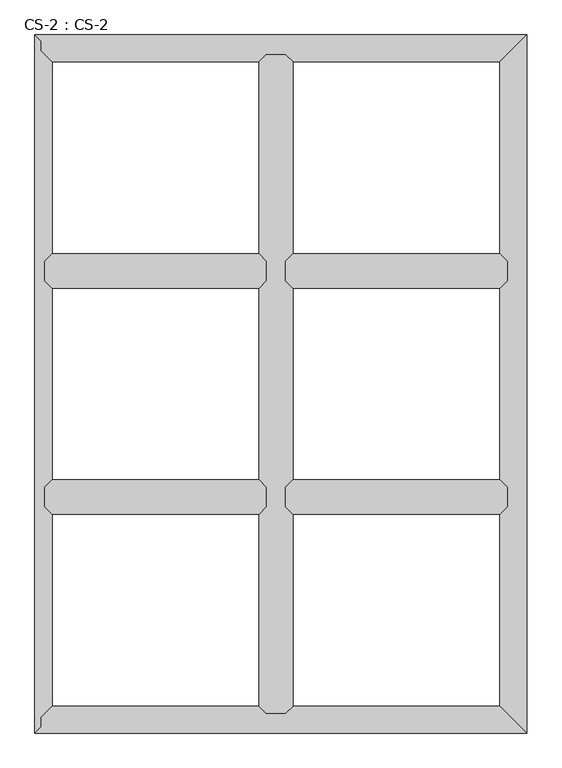
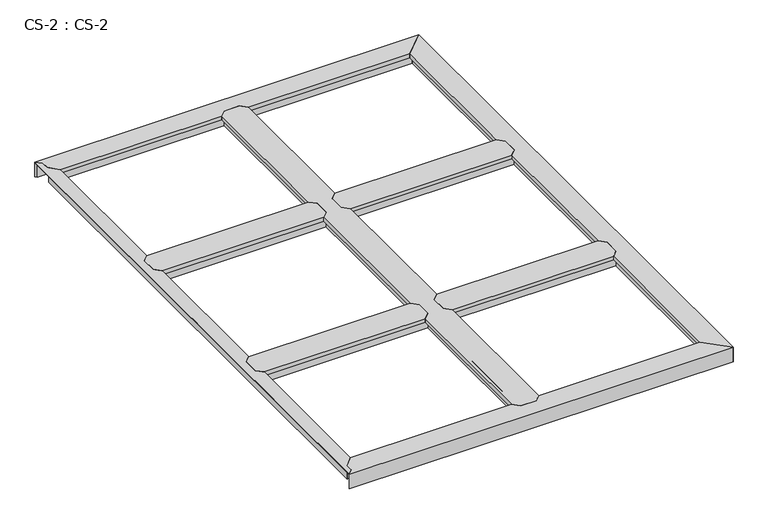
"""IFC4 building model written with IfcOpenShell, lengths in millimetres: proxy geometry, CS-2 : CS-2."""

from ifc_helpers import new_model, si_unit, origin, place, context, project, spatial, faceted_brep, source, transform, mapped, element, save


def cs_2_cs_2_586a0aad(model_context):
    return source(origin(), model_context, "Body", "Brep", [
        faceted_brep([(1592.58, 1524.0, 46.355), (1592.58, 1524.0, 0.0), (1592.58, 1530.985, 0.0), (1592.58, 1530.985, 63.5), (1592.58, 1583.055, 63.5), (1592.58, 1583.055, 0.0), (1592.58, 1590.04, 0.0), (1592.58, 1590.04, 46.355), (1592.58, 1590.04, 66.675), (1592.58, 1524.0, 66.675), (845.82, 1590.04, 46.355), (845.82, 1590.04, 0.0), (845.82, 1583.055, 0.0), (845.82, 1583.055, 63.5), (845.82, 1530.985, 63.5), (845.82, 1530.985, 0.0), (845.82, 1524.0, 0.0), (845.82, 1524.0, 46.355), (845.82, 1524.0, 66.675), (845.82, 1590.04, 66.675), (870.458, 1614.678, 66.675), (1567.942, 1614.678, 66.675), (1567.942, 1614.678, 49.8094), (870.458, 1614.678, 49.8094), (1569.466, 1613.154, 49.8094), (868.934, 1613.154, 49.8094), (1569.466, 1613.154, 64.643), (868.934, 1613.154, 64.643), (1579.753, 1602.867, 64.643), (858.647, 1602.867, 64.643), (1579.753, 1602.867, 46.355), (858.647, 1602.867, 46.355), (1579.753, 1511.173, 46.355), (858.647, 1511.173, 46.355), (1579.753, 1511.173, 64.643), (858.647, 1511.173, 64.643), (1569.466, 1500.886, 64.643), (868.934, 1500.886, 64.643), (1569.466, 1500.886, 49.8094), (868.934, 1500.886, 49.8094), (1567.942, 1499.362, 49.8094), (870.458, 1499.362, 49.8094), (1567.942, 1499.362, 66.675), (870.458, 1499.362, 66.675)], [[[0, 1, 2, 3, 4, 5, 6, 7, 8, 9]], [[10, 11, 12, 13, 14, 15, 16, 17, 18, 19]], [[20, 21, 22, 23]], [[23, 22, 24, 25]], [[25, 24, 26, 27]], [[27, 26, 28, 29]], [[29, 28, 30, 31]], [[7, 10, 31, 30]], [[7, 6, 11, 10]], [[6, 5, 12, 11]], [[5, 4, 13, 12]], [[4, 3, 14, 13]], [[3, 2, 15, 14]], [[2, 1, 16, 15]], [[1, 0, 17, 16]], [[17, 0, 32, 33]], [[33, 32, 34, 35]], [[35, 34, 36, 37]], [[37, 36, 38, 39]], [[39, 38, 40, 41]], [[41, 40, 42, 43]], [[9, 8, 21, 20, 19, 18, 43, 42]], [[10, 19, 20, 23, 25, 27, 29, 31]], [[18, 17, 33, 35, 37, 39, 41, 43]], [[0, 9, 42, 40, 38, 36, 34, 32]], [[8, 7, 30, 28, 26, 24, 22, 21]]]),
        faceted_brep([(1592.58, 762.0, 46.355), (1592.58, 762.0, 0.0), (1592.58, 768.985, 0.0), (1592.58, 768.985, 63.5), (1592.58, 821.055, 63.5), (1592.58, 821.055, 0.0), (1592.58, 828.04, 0.0), (1592.58, 828.04, 46.355), (1592.58, 828.04, 66.675), (1592.58, 762.0, 66.675), (845.82, 828.04, 46.355), (845.82, 828.04, 0.0), (845.82, 821.055, 0.0), (845.82, 821.055, 63.5), (845.82, 768.985, 63.5), (845.82, 768.985, 0.0), (845.82, 762.0, 0.0), (845.82, 762.0, 46.355), (845.82, 762.0, 66.675), (845.82, 828.04, 66.675), (870.458, 852.678, 66.675), (1567.942, 852.678, 66.675), (1567.942, 852.678, 49.8094), (870.458, 852.678, 49.8094), (1569.466, 851.154, 49.8094), (868.934, 851.154, 49.8094), (1569.466, 851.154, 64.643), (868.934, 851.154, 64.643), (1579.753, 840.867, 64.643), (858.647, 840.867, 64.643), (1579.753, 840.867, 46.355), (858.647, 840.867, 46.355), (1579.753, 749.173, 46.355), (858.647, 749.173, 46.355), (1579.753, 749.173, 64.643), (858.647, 749.173, 64.643), (1569.466, 738.886, 64.643), (868.934, 738.886, 64.643), (1569.466, 738.886, 49.8094), (868.934, 738.886, 49.8094), (1567.942, 737.362, 49.8094), (870.458, 737.362, 49.8094), (1567.942, 737.362, 66.675), (870.458, 737.362, 66.675)], [[[0, 1, 2, 3, 4, 5, 6, 7, 8, 9]], [[10, 11, 12, 13, 14, 15, 16, 17, 18, 19]], [[20, 21, 22, 23]], [[23, 22, 24, 25]], [[25, 24, 26, 27]], [[27, 26, 28, 29]], [[29, 28, 30, 31]], [[7, 10, 31, 30]], [[7, 6, 11, 10]], [[6, 5, 12, 11]], [[5, 4, 13, 12]], [[4, 3, 14, 13]], [[3, 2, 15, 14]], [[2, 1, 16, 15]], [[1, 0, 17, 16]], [[17, 0, 32, 33]], [[33, 32, 34, 35]], [[35, 34, 36, 37]], [[37, 36, 38, 39]], [[39, 38, 40, 41]], [[41, 40, 42, 43]], [[9, 8, 21, 20, 19, 18, 43, 42]], [[10, 19, 20, 23, 25, 27, 29, 31]], [[18, 17, 33, 35, 37, 39, 41, 43]], [[0, 9, 42, 40, 38, 36, 34, 32]], [[8, 7, 30, 28, 26, 24, 22, 21]]]),
        faceted_brep([(779.78, 762.0, 46.355), (779.78, 762.0, 0.0), (779.78, 768.985, 0.0), (779.78, 768.985, 63.5), (779.78, 821.055, 63.5), (779.78, 821.055, 0.0), (779.78, 828.04, 0.0), (779.78, 828.04, 46.355), (779.78, 828.04, 66.675), (779.78, 762.0, 66.675), (33.02, 828.04, 46.355), (33.02, 828.04, 0.0), (33.02, 821.055, 0.0), (33.02, 821.055, 63.5), (33.02, 768.985, 63.5), (33.02, 768.985, 0.0), (33.02, 762.0, 0.0), (33.02, 762.0, 46.355), (33.02, 762.0, 66.675), (33.02, 828.04, 66.675), (57.658, 852.678, 66.675), (755.142, 852.678, 66.675), (755.142, 852.678, 49.8094), (57.658, 852.678, 49.8094), (756.666, 851.154, 49.8094), (56.134, 851.154, 49.8094), (756.666, 851.154, 64.643), (56.134, 851.154, 64.643), (766.953, 840.867, 64.643), (45.847, 840.867, 64.643), (766.953, 840.867, 46.355), (45.847, 840.867, 46.355), (766.953, 749.173, 46.355), (45.847, 749.173, 46.355), (766.953, 749.173, 64.643), (45.847, 749.173, 64.643), (756.666, 738.886, 64.643), (56.134, 738.886, 64.643), (756.666, 738.886, 49.8094), (56.134, 738.886, 49.8094), (755.142, 737.362, 49.8094), (57.658, 737.362, 49.8094), (755.142, 737.362, 66.675), (57.658, 737.362, 66.675)], [[[0, 1, 2, 3, 4, 5, 6, 7, 8, 9]], [[10, 11, 12, 13, 14, 15, 16, 17, 18, 19]], [[20, 21, 22, 23]], [[23, 22, 24, 25]], [[25, 24, 26, 27]], [[27, 26, 28, 29]], [[29, 28, 30, 31]], [[7, 10, 31, 30]], [[7, 6, 11, 10]], [[6, 5, 12, 11]], [[5, 4, 13, 12]], [[4, 3, 14, 13]], [[3, 2, 15, 14]], [[2, 1, 16, 15]], [[1, 0, 17, 16]], [[17, 0, 32, 33]], [[33, 32, 34, 35]], [[35, 34, 36, 37]], [[37, 36, 38, 39]], [[39, 38, 40, 41]], [[41, 40, 42, 43]], [[9, 8, 21, 20, 19, 18, 43, 42]], [[10, 19, 20, 23, 25, 27, 29, 31]], [[18, 17, 33, 35, 37, 39, 41, 43]], [[0, 9, 42, 40, 38, 36, 34, 32]], [[8, 7, 30, 28, 26, 24, 22, 21]]]),
        faceted_brep([(779.78, 1524.0, 46.355), (779.78, 1524.0, 0.0), (779.78, 1530.985, 0.0), (779.78, 1530.985, 63.5), (779.78, 1583.055, 63.5), (779.78, 1583.055, 0.0), (779.78, 1590.04, 0.0), (779.78, 1590.04, 46.355), (779.78, 1590.04, 66.675), (779.78, 1524.0, 66.675), (33.02, 1590.04, 46.355), (33.02, 1590.04, 0.0), (33.02, 1583.055, 0.0), (33.02, 1583.055, 63.5), (33.02, 1530.985, 63.5), (33.02, 1530.985, 0.0), (33.02, 1524.0, 0.0), (33.02, 1524.0, 46.355), (33.02, 1524.0, 66.675), (33.02, 1590.04, 66.675), (57.658, 1614.678, 66.675), (755.142, 1614.678, 66.675), (755.142, 1614.678, 49.8094), (57.658, 1614.678, 49.8094), (756.666, 1613.154, 49.8094), (56.134, 1613.154, 49.8094), (756.666, 1613.154, 64.643), (56.134, 1613.154, 64.643), (766.953, 1602.867, 64.643), (45.847, 1602.867, 64.643), (766.953, 1602.867, 46.355), (45.847, 1602.867, 46.355), (766.953, 1511.173, 46.355), (45.847, 1511.173, 46.355), (766.953, 1511.173, 64.643), (45.847, 1511.173, 64.643), (756.666, 1500.886, 64.643), (56.134, 1500.886, 64.643), (756.666, 1500.886, 49.8094), (56.134, 1500.886, 49.8094), (755.142, 1499.362, 49.8094), (57.658, 1499.362, 49.8094), (755.142, 1499.362, 66.675), (57.658, 1499.362, 66.675)], [[[0, 1, 2, 3, 4, 5, 6, 7, 8, 9]], [[10, 11, 12, 13, 14, 15, 16, 17, 18, 19]], [[20, 21, 22, 23]], [[23, 22, 24, 25]], [[25, 24, 26, 27]], [[27, 26, 28, 29]], [[29, 28, 30, 31]], [[7, 10, 31, 30]], [[7, 6, 11, 10]], [[6, 5, 12, 11]], [[5, 4, 13, 12]], [[4, 3, 14, 13]], [[3, 2, 15, 14]], [[2, 1, 16, 15]], [[1, 0, 17, 16]], [[17, 0, 32, 33]], [[33, 32, 34, 35]], [[35, 34, 36, 37]], [[37, 36, 38, 39]], [[39, 38, 40, 41]], [[41, 40, 42, 43]], [[9, 8, 21, 20, 19, 18, 43, 42]], [[10, 19, 20, 23, 25, 27, 29, 31]], [[18, 17, 33, 35, 37, 39, 41, 43]], [[0, 9, 42, 40, 38, 36, 34, 32]], [[8, 7, 30, 28, 26, 24, 22, 21]]]),
        faceted_brep([(845.82, 2286.0, 46.355), (845.82, 2286.0, 0.0), (838.835, 2286.0, 0.0), (838.835, 2286.0, 63.5), (786.765, 2286.0, 63.5), (786.765, 2286.0, 0.0), (779.78, 2286.0, 0.0), (779.78, 2286.0, 46.355), (779.78, 2286.0, 66.675), (845.82, 2286.0, 66.675), (779.78, 66.04, 46.355), (779.78, 66.04, 0.0), (786.765, 66.04, 0.0), (786.765, 66.04, 63.5), (838.835, 66.04, 63.5), (838.835, 66.04, 0.0), (845.82, 66.04, 0.0), (845.82, 66.04, 46.355), (845.82, 66.04, 66.675), (779.78, 66.04, 66.675), (755.142, 90.678, 49.8094), (755.142, 90.678, 66.675), (755.142, 737.362, 66.675), (755.142, 737.362, 49.8094), (755.142, 2261.362, 66.675), (755.142, 2261.362, 49.8094), (755.142, 1614.678, 49.8094), (755.142, 1614.678, 66.675), (755.142, 852.678, 49.8094), (755.142, 852.678, 66.675), (755.142, 1499.362, 66.675), (755.142, 1499.362, 49.8094), (756.666, 89.154, 49.8094), (756.666, 738.886, 49.8094), (756.666, 2262.886, 49.8094), (756.666, 1613.154, 49.8094), (756.666, 851.154, 49.8094), (756.666, 1500.886, 49.8094), (756.666, 89.154, 64.643), (756.666, 738.886, 64.643), (756.666, 2262.886, 64.643), (756.666, 1613.154, 64.643), (756.666, 851.154, 64.643), (756.666, 1500.886, 64.643), (766.953, 78.867, 64.643), (766.953, 749.173, 64.643), (766.953, 2273.173, 64.643), (766.953, 1602.867, 64.643), (766.953, 840.867, 64.643), (766.953, 1511.173, 64.643), (766.953, 78.867, 46.355), (766.953, 749.173, 46.355), (766.953, 2273.173, 46.355), (766.953, 1602.867, 46.355), (766.953, 840.867, 46.355), (766.953, 1511.173, 46.355), (779.78, 762.0, 46.355), (779.78, 1590.04, 46.355), (779.78, 828.04, 46.355), (779.78, 1524.0, 46.355), (779.78, 762.0, 66.675), (779.78, 828.04, 66.675), (779.78, 1524.0, 66.675), (779.78, 1590.04, 66.675), (845.82, 1590.04, 46.355), (845.82, 1590.04, 66.675), (845.82, 1524.0, 66.675), (845.82, 1524.0, 46.355), (845.82, 828.04, 46.355), (845.82, 828.04, 66.675), (845.82, 762.0, 66.675), (845.82, 762.0, 46.355), (858.647, 78.867, 46.355), (858.647, 749.173, 46.355), (858.647, 2273.173, 46.355), (858.647, 1602.867, 46.355), (858.647, 840.867, 46.355), (858.647, 1511.173, 46.355), (858.647, 78.867, 64.643), (858.647, 749.173, 64.643), (858.647, 2273.173, 64.643), (858.647, 1602.867, 64.643), (858.647, 840.867, 64.643), (858.647, 1511.173, 64.643), (868.934, 89.154, 64.643), (868.934, 738.886, 64.643), (868.934, 2262.886, 64.643), (868.934, 1613.154, 64.643), (868.934, 851.154, 64.643), (868.934, 1500.886, 64.643), (868.934, 89.154, 49.8094), (868.934, 738.886, 49.8094), (868.934, 2262.886, 49.8094), (868.934, 1613.154, 49.8094), (868.934, 851.154, 49.8094), (868.934, 1500.886, 49.8094), (870.458, 90.678, 49.8094), (870.458, 737.362, 49.8094), (870.458, 2261.362, 49.8094), (870.458, 1614.678, 49.8094), (870.458, 852.678, 49.8094), (870.458, 1499.362, 49.8094), (870.458, 90.678, 66.675), (870.458, 737.362, 66.675), (870.458, 2261.362, 66.675), (870.458, 1614.678, 66.675), (870.458, 852.678, 66.675), (870.458, 1499.362, 66.675)], [[[0, 1, 2, 3, 4, 5, 6, 7, 8, 9]], [[10, 11, 12, 13, 14, 15, 16, 17, 18, 19]], [[20, 21, 22, 23]], [[24, 25, 26, 27]], [[28, 29, 30, 31]], [[32, 20, 23, 33]], [[25, 34, 35, 26]], [[36, 28, 31, 37]], [[38, 32, 33, 39]], [[34, 40, 41, 35]], [[42, 36, 37, 43]], [[44, 38, 39, 45]], [[40, 46, 47, 41]], [[48, 42, 43, 49]], [[50, 44, 45, 51]], [[46, 52, 53, 47]], [[54, 48, 49, 55]], [[10, 50, 51, 56]], [[52, 7, 57, 53]], [[58, 54, 55, 59]], [[7, 6, 11, 10, 56, 60, 61, 58, 59, 62, 63, 57]], [[6, 5, 12, 11]], [[5, 4, 13, 12]], [[4, 3, 14, 13]], [[3, 2, 15, 14]], [[2, 1, 16, 15]], [[1, 0, 64, 65, 66, 67, 68, 69, 70, 71, 17, 16]], [[72, 17, 71, 73]], [[0, 74, 75, 64]], [[76, 68, 67, 77]], [[78, 72, 73, 79]], [[74, 80, 81, 75]], [[82, 76, 77, 83]], [[84, 78, 79, 85]], [[80, 86, 87, 81]], [[88, 82, 83, 89]], [[90, 84, 85, 91]], [[86, 92, 93, 87]], [[94, 88, 89, 95]], [[96, 90, 91, 97]], [[92, 98, 99, 93]], [[100, 94, 95, 101]], [[102, 96, 97, 103]], [[98, 104, 105, 99]], [[106, 100, 101, 107]], [[9, 8, 24, 27, 63, 62, 30, 29, 61, 60, 22, 21, 19, 18, 102, 103, 70, 69, 106, 107, 66, 65, 105, 104]], [[10, 19, 21, 20, 32, 38, 44, 50]], [[18, 17, 72, 78, 84, 90, 96, 102]], [[0, 9, 104, 98, 92, 86, 80, 74]], [[8, 7, 52, 46, 40, 34, 25, 24]], [[60, 56, 51, 45, 39, 33, 23, 22]], [[58, 61, 29, 28, 36, 42, 48, 54]], [[62, 59, 55, 49, 43, 37, 31, 30]], [[57, 63, 27, 26, 35, 41, 47, 53]], [[69, 68, 76, 82, 88, 94, 100, 106]], [[71, 70, 103, 97, 91, 85, 79, 73]], [[65, 64, 75, 81, 87, 93, 99, 105]], [[67, 66, 107, 101, 95, 89, 83, 77]]]),
        faceted_brep([(1658.62, 0.0, 0.0), (0.0, 0.0, 0.0), (6.985, 6.985, 0.0), (1651.635, 6.985, 0.0), (1651.635, 6.985, 63.5), (6.985, 6.985, 63.5), (1599.565, 59.055, 63.5), (21.59, 21.59, 63.5), (21.59, 53.34, 63.5), (27.1106122, 59.055, 63.5), (1599.565, 59.055, 0.0), (27.1106122, 59.055, 0.0), (33.8580272, 66.04, 0.0), (1592.58, 66.04, 0.0), (1592.58, 66.04, 46.355), (33.8580272, 66.04, 46.355), (779.78, 66.04, 46.355), (779.78, 66.04, 66.675), (845.82, 66.04, 66.675), (845.82, 66.04, 46.355), (1579.753, 78.867, 46.355), (858.647, 78.867, 46.355), (46.2487347, 78.867, 46.355), (766.953, 78.867, 46.355), (1579.753, 78.867, 63.5), (858.647, 78.867, 63.5), (46.2487347, 78.867, 63.5), (766.953, 78.867, 63.5), (1569.466, 89.154, 63.5), (868.934, 89.154, 63.5), (56.1858367, 89.154, 63.5), (756.666, 89.154, 63.5), (1569.466, 89.154, 49.8094), (868.934, 89.154, 49.8094), (56.1858367, 89.154, 49.8094), (756.666, 89.154, 49.8094), (1567.942, 90.678, 49.8094), (870.458, 90.678, 49.8094), (57.658, 90.678, 49.8094), (755.142, 90.678, 49.8094), (1567.942, 90.678, 66.675), (870.458, 90.678, 66.675), (57.658, 90.678, 66.675), (755.142, 90.678, 66.675), (0.0, 0.0, 66.675), (1658.62, 0.0, 66.675), (21.59, 53.34, 66.675), (21.59, 21.59, 66.675)], [[[0, 1, 2, 3]], [[4, 3, 2, 5]], [[6, 4, 5, 7, 8, 9]], [[10, 6, 9, 11]], [[12, 13, 10, 11]], [[14, 13, 12, 15, 16, 17, 18, 19]], [[20, 14, 19, 21]], [[15, 22, 23, 16]], [[24, 20, 21, 25]], [[22, 26, 27, 23]], [[28, 24, 25, 29]], [[26, 30, 31, 27]], [[32, 28, 29, 33]], [[30, 34, 35, 31]], [[36, 32, 33, 37]], [[34, 38, 39, 35]], [[40, 36, 37, 41]], [[38, 42, 43, 39]], [[44, 45, 40, 41, 18, 17, 43, 42, 46, 47]], [[1, 0, 45, 44]], [[0, 3, 4, 6, 10, 13, 14, 20, 24, 28, 32, 36, 40, 45]], [[7, 47, 46, 8]], [[8, 46, 42, 38, 34, 30, 26, 22, 15, 12, 11, 9]], [[47, 7, 5, 2, 1, 44]], [[17, 16, 23, 27, 31, 35, 39, 43]], [[19, 18, 41, 37, 33, 29, 25, 21]]]),
        faceted_brep([(1658.62, 2352.04, 0.0), (1658.62, 0.0, 0.0), (1651.635, 6.985, 0.0), (1651.635, 2345.055, 0.0), (1651.635, 2345.055, 63.5), (1651.635, 6.985, 63.5), (1599.565, 2292.985, 63.5), (1599.565, 59.055, 63.5), (1599.565, 2292.985, 0.0), (1599.565, 59.055, 0.0), (1592.58, 66.04, 0.0), (1592.58, 2286.0, 0.0), (1592.58, 2286.0, 46.355), (1592.58, 66.04, 46.355), (1592.58, 762.0, 46.355), (1592.58, 762.0, 66.675), (1592.58, 828.04, 66.675), (1592.58, 828.04, 46.355), (1592.58, 1524.0, 46.355), (1592.58, 1524.0, 66.675), (1592.58, 1590.04, 66.675), (1592.58, 1590.04, 46.355), (1579.753, 2273.173, 46.355), (1579.753, 1602.867, 46.355), (1579.753, 78.867, 46.355), (1579.753, 749.173, 46.355), (1579.753, 1511.173, 46.355), (1579.753, 840.867, 46.355), (1579.753, 2273.173, 63.5), (1579.753, 1602.867, 63.5), (1579.753, 78.867, 63.5), (1579.753, 749.173, 63.5), (1579.753, 1511.173, 63.5), (1579.753, 840.867, 63.5), (1569.466, 2262.886, 63.5), (1569.466, 1613.154, 63.5), (1569.466, 89.154, 63.5), (1569.466, 738.886, 63.5), (1569.466, 1500.886, 63.5), (1569.466, 851.154, 63.5), (1569.466, 2262.886, 49.8094), (1569.466, 1613.154, 49.8094), (1569.466, 89.154, 49.8094), (1569.466, 738.886, 49.8094), (1569.466, 1500.886, 49.8094), (1569.466, 851.154, 49.8094), (1567.942, 2261.362, 49.8094), (1567.942, 1614.678, 49.8094), (1567.942, 90.678, 49.8094), (1567.942, 737.362, 49.8094), (1567.942, 1499.362, 49.8094), (1567.942, 852.678, 49.8094), (1567.942, 2261.362, 66.675), (1567.942, 1614.678, 66.675), (1567.942, 90.678, 66.675), (1567.942, 737.362, 66.675), (1567.942, 1499.362, 66.675), (1567.942, 852.678, 66.675), (1658.62, 0.0, 66.675), (1658.62, 2352.04, 66.675)], [[[0, 1, 2, 3]], [[4, 3, 2, 5]], [[6, 4, 5, 7]], [[8, 6, 7, 9]], [[10, 11, 8, 9]], [[12, 11, 10, 13, 14, 15, 16, 17, 18, 19, 20, 21]], [[22, 12, 21, 23]], [[13, 24, 25, 14]], [[26, 18, 17, 27]], [[28, 22, 23, 29]], [[24, 30, 31, 25]], [[32, 26, 27, 33]], [[34, 28, 29, 35]], [[30, 36, 37, 31]], [[38, 32, 33, 39]], [[40, 34, 35, 41]], [[36, 42, 43, 37]], [[44, 38, 39, 45]], [[46, 40, 41, 47]], [[42, 48, 49, 43]], [[50, 44, 45, 51]], [[52, 46, 47, 53]], [[48, 54, 55, 49]], [[56, 50, 51, 57]], [[58, 59, 52, 53, 20, 19, 56, 57, 16, 15, 55, 54]], [[1, 0, 59, 58]], [[0, 3, 4, 6, 8, 11, 12, 22, 28, 34, 40, 46, 52, 59]], [[2, 1, 58, 54, 48, 42, 36, 30, 24, 13, 10, 9, 7, 5]], [[19, 18, 26, 32, 38, 44, 50, 56]], [[21, 20, 53, 47, 41, 35, 29, 23]], [[15, 14, 25, 31, 37, 43, 49, 55]], [[17, 16, 57, 51, 45, 39, 33, 27]]]),
        faceted_brep([(0.0, 2352.04, 0.0), (1658.62, 2352.04, 0.0), (1651.635, 2345.055, 0.0), (6.985, 2345.055, 0.0), (6.985, 2345.055, 63.5), (1651.635, 2345.055, 63.5), (21.59, 2330.45, 63.5), (1599.565, 2292.985, 63.5), (27.1106122, 2292.985, 63.5), (21.59, 2298.7, 63.5), (27.1106122, 2292.985, 0.0), (1599.565, 2292.985, 0.0), (1592.58, 2286.0, 0.0), (33.8580272, 2286.0, 0.0), (33.8580272, 2286.0, 46.355), (1592.58, 2286.0, 46.355), (845.82, 2286.0, 46.355), (845.82, 2286.0, 66.675), (779.78, 2286.0, 66.675), (779.78, 2286.0, 46.355), (46.2487347, 2273.173, 46.355), (766.953, 2273.173, 46.355), (1579.753, 2273.173, 46.355), (858.647, 2273.173, 46.355), (46.2487347, 2273.173, 63.5), (766.953, 2273.173, 63.5), (1579.753, 2273.173, 63.5), (858.647, 2273.173, 63.5), (56.1858367, 2262.886, 63.5), (756.666, 2262.886, 63.5), (1569.466, 2262.886, 63.5), (868.934, 2262.886, 63.5), (56.1858367, 2262.886, 49.8094), (756.666, 2262.886, 49.8094), (1569.466, 2262.886, 49.8094), (868.934, 2262.886, 49.8094), (57.658, 2261.362, 49.8094), (755.142, 2261.362, 49.8094), (1567.942, 2261.362, 49.8094), (870.458, 2261.362, 49.8094), (57.658, 2261.362, 66.675), (755.142, 2261.362, 66.675), (1567.942, 2261.362, 66.675), (870.458, 2261.362, 66.675), (1658.62, 2352.04, 66.675), (0.0, 2352.04, 66.675), (21.59, 2330.45, 66.675), (21.59, 2298.7, 66.675)], [[[0, 1, 2, 3]], [[4, 3, 2, 5]], [[6, 4, 5, 7, 8, 9]], [[10, 8, 7, 11]], [[12, 13, 10, 11]], [[14, 13, 12, 15, 16, 17, 18, 19]], [[20, 14, 19, 21]], [[15, 22, 23, 16]], [[24, 20, 21, 25]], [[22, 26, 27, 23]], [[28, 24, 25, 29]], [[26, 30, 31, 27]], [[32, 28, 29, 33]], [[30, 34, 35, 31]], [[36, 32, 33, 37]], [[34, 38, 39, 35]], [[40, 36, 37, 41]], [[38, 42, 43, 39]], [[44, 45, 46, 47, 40, 41, 18, 17, 43, 42]], [[1, 0, 45, 44]], [[6, 46, 45, 0, 3, 4]], [[47, 9, 8, 10, 13, 14, 20, 24, 28, 32, 36, 40]], [[46, 6, 9, 47]], [[2, 1, 44, 42, 38, 34, 30, 26, 22, 15, 12, 11, 7, 5]], [[17, 16, 23, 27, 31, 35, 39, 43]], [[19, 18, 41, 37, 33, 29, 25, 21]]]),
        faceted_brep([(0.0, 2352.04, 66.675), (0.0, 0.0, 66.675), (21.59, 21.59, 66.675), (21.59, 53.34, 66.675), (57.658, 90.678, 66.675), (57.658, 737.362, 66.675), (33.02, 762.0, 66.675), (33.02, 828.04, 66.675), (57.658, 852.678, 66.675), (57.658, 1499.362, 66.675), (33.02, 1524.0, 66.675), (33.02, 1590.04, 66.675), (57.658, 1614.678, 66.675), (57.658, 2261.362, 66.675), (21.59, 2298.7, 66.675), (21.59, 2330.45, 66.675), (0.0, 2352.04, 63.5), (0.0, 0.0, 63.5), (21.59, 2330.45, 63.5), (21.59, 2298.7, 63.5), (26.035, 2294.0984859, 63.5), (26.035, 57.9415141, 63.5), (21.59, 53.34, 63.5), (21.59, 21.59, 63.5), (26.035, 57.9415141, 0.0), (26.035, 2294.0984859, 0.0), (33.02, 2286.8675352, 0.0), (33.02, 65.1724648, 0.0), (33.02, 65.1724648, 46.355), (33.02, 2286.8675352, 46.355), (33.02, 1590.04, 46.355), (33.02, 1524.0, 46.355), (33.02, 828.04, 46.355), (33.02, 762.0, 46.355), (45.847, 78.4511197, 46.355), (45.847, 749.173, 46.355), (45.847, 2273.5888803, 46.355), (45.847, 1602.867, 46.355), (45.847, 840.867, 46.355), (45.847, 1511.173, 46.355), (45.847, 78.4511197, 64.643), (45.847, 749.173, 64.643), (45.847, 2273.5888803, 64.643), (45.847, 1602.867, 64.643), (45.847, 840.867, 64.643), (45.847, 1511.173, 64.643), (56.134, 89.100338, 64.643), (56.134, 738.886, 64.643), (56.134, 2262.939662, 64.643), (56.134, 1613.154, 64.643), (56.134, 851.154, 64.643), (56.134, 1500.886, 64.643), (56.134, 89.100338, 49.8094), (56.134, 738.886, 49.8094), (56.134, 2262.939662, 49.8094), (56.134, 1613.154, 49.8094), (56.134, 851.154, 49.8094), (56.134, 1500.886, 49.8094), (57.658, 90.678, 49.8094), (57.658, 737.362, 49.8094), (57.658, 2261.362, 49.8094), (57.658, 1614.678, 49.8094), (57.658, 852.678, 49.8094), (57.658, 1499.362, 49.8094)], [[[0, 1, 2, 3, 4, 5, 6, 7, 8, 9, 10, 11, 12, 13, 14, 15]], [[1, 0, 16, 17]], [[17, 16, 18, 19, 20, 21, 22, 23]], [[24, 21, 20, 25]], [[26, 27, 24, 25]], [[28, 27, 26, 29, 30, 11, 10, 31, 32, 7, 6, 33]], [[34, 28, 33, 35]], [[29, 36, 37, 30]], [[38, 32, 31, 39]], [[40, 34, 35, 41]], [[36, 42, 43, 37]], [[44, 38, 39, 45]], [[46, 40, 41, 47]], [[42, 48, 49, 43]], [[50, 44, 45, 51]], [[52, 46, 47, 53]], [[48, 54, 55, 49]], [[56, 50, 51, 57]], [[58, 52, 53, 59]], [[54, 60, 61, 55]], [[62, 56, 57, 63]], [[4, 58, 59, 5]], [[60, 13, 12, 61]], [[8, 62, 63, 9]], [[23, 2, 1, 17]], [[3, 22, 21, 24, 27, 28, 34, 40, 46, 52, 58, 4]], [[2, 23, 22, 3]], [[18, 15, 14, 19]], [[19, 14, 13, 60, 54, 48, 42, 36, 29, 26, 25, 20]], [[15, 18, 16, 0]], [[7, 32, 38, 44, 50, 56, 62, 8]], [[33, 6, 5, 59, 53, 47, 41, 35]], [[11, 30, 37, 43, 49, 55, 61, 12]], [[31, 10, 9, 63, 57, 51, 45, 39]]]),
    ])


if __name__ == "__main__":
    model = new_model("IFC4")
    model_context = context("Model", 3, world=origin())
    ifc_project = project(units=[si_unit("LENGTHUNIT", "METRE", prefix="MILLI")], contexts=[model_context])
    site = spatial("IfcSite", under=ifc_project)
    building = spatial("IfcBuilding", under=site)
    placement = place(None, origin())
    cs_2_cs_2_shape = cs_2_cs_2_586a0aad(model_context)
    element("IfcBuildingElementProxy", 1, Name="CS-2 : CS-2", ObjectType="CS-2 : CS-2", at=placement, inside=building, context=model_context, shape_type="MappedRepresentation", body=[
        mapped(cs_2_cs_2_shape, transform((0.0, 0.0, 0.0), x_axis=(1.0, 0.0, 0.0), y_axis=(0.0, 1.0, 0.0), z_axis=(0.0, 0.0, 1.0))),
    ])
    save(model, "model.ifc")
